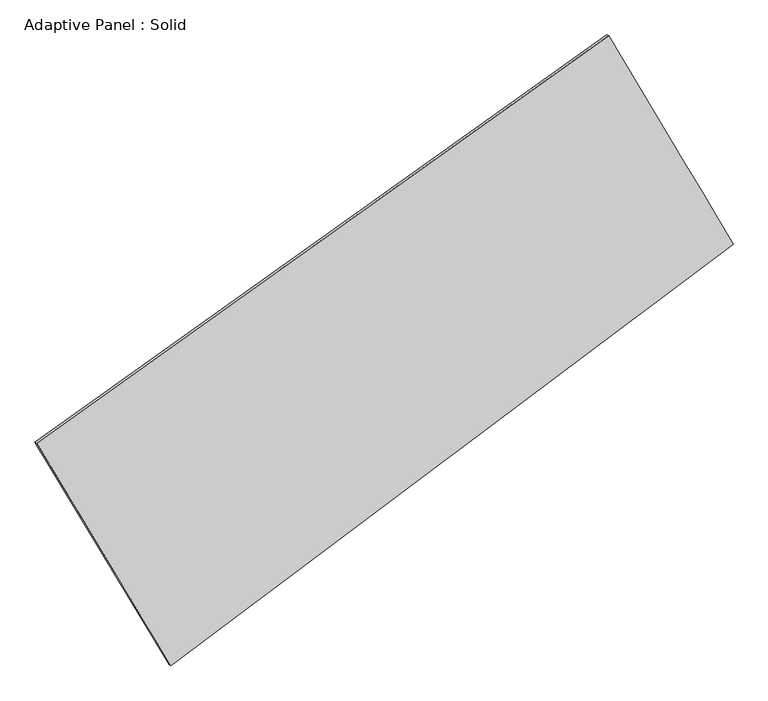
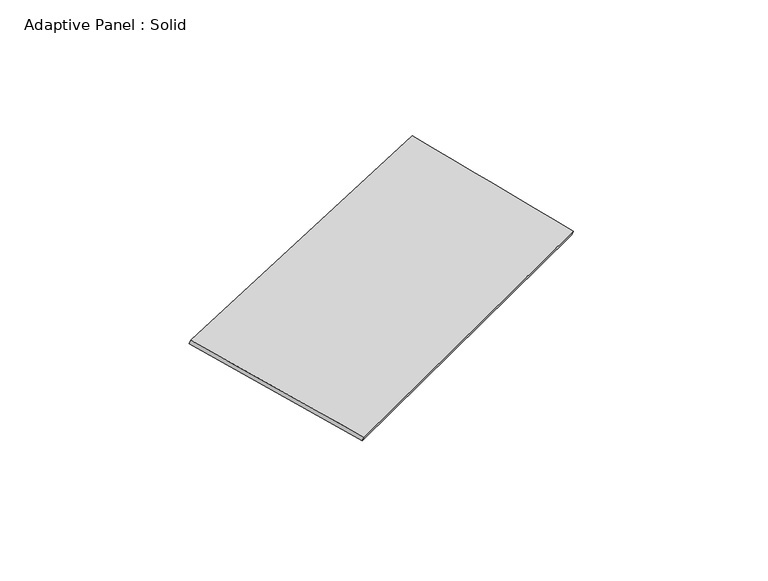
"""IFC4 building model written with IfcOpenShell, lengths in millimetres: plate geometry, Adaptive Panel : Solid."""

from ifc_helpers import new_model, si_unit, frame, origin, place, context, project, spatial, source, transform, mapped, element, save
from ifc_brep_helpers import plane_surface, spline_surface, advanced_brep


def adaptive_panel_solid_d59c7545(model_context):
    return source(origin(), model_context, "Body", "AdvancedBrep", [
        advanced_brep(
        [(1178.9455459, 2473.8321941, 668.8805668), (-3549.3059195, -893.2633393, 1645.3972472), (-3534.6395637, -899.6434327, 1692.7701552), (1193.6119018, 2467.4521007, 716.2534749), (-2439.4699828, -2732.7496467, 1086.8724943), (-2424.803627, -2739.1297402, 1134.2454023), (2206.5397782, 751.932219, 83.972212), (2221.2061341, 745.5521255, 131.34512)],
        [
            (0, 1),
            (1, 2),
            (2, 3),
            (3, 0),
            (1, 4),
            (4, 5),
            (5, 2),
            (4, 6),
            (6, 7),
            (7, 5),
            (6, 0),
            (3, 7),
        ],
        [
            plane_surface(frame((-1185.1801868, 790.2844274, 1157.138907), z_axis=(-0.5208157110426389, 0.8097473582838115, 0.2702965239945549), x_axis=(-0.803278232938588, -0.5720327207611418, 0.1658995083346092))),
            plane_surface(frame((-2994.3879511, -1813.006493, 1366.1348707), z_axis=(-0.8173279088673938, -0.5475660608946464, 0.17929444593398292), x_axis=(0.49997704841853446, -0.8286818836830407, -0.25161336751098506))),
            plane_surface(frame((-116.4651023, -990.4087139, 585.4223531), z_axis=(0.5384958028273023, -0.7968249114679149, -0.2740297991123025), x_axis=(0.78831777910294, 0.5912679504590411, -0.1701684163121142))),
            plane_surface(frame((1692.7426621, 1612.8822066, 376.4263894), z_axis=(0.8168768265104185, 0.5483174818382693, -0.1790535937109529), x_axis=(-0.49195875348900897, 0.8243562865396393, 0.2800237449005293))),
            spline_surface(1, 1, [[(-3534.6395637, -899.6434327, 1692.7701552), (1193.6119018, 2467.4521007, 716.2534749)], [(-2424.803627, -2739.1297402, 1134.2454023), (2221.2061341, 745.5521255, 131.34512)]], [2, 2], [2, 2], [0.0, 1.0], [0.0, 1.0]),
            spline_surface(1, 1, [[(2206.5397782, 751.932219, 83.972212), (1178.9455459, 2473.8321941, 668.8805668)], [(-2439.4699828, -2732.7496467, 1086.8724943), (-3549.3059195, -893.2633393, 1645.3972472)]], [2, 2], [2, 2], [0.0, 1.0], [0.0, 1.0]),
        ],
        [
            (0, [[1, 2, 3, 4]]),
            (1, [[5, 6, 7, -2]]),
            (2, [[8, 9, 10, -6]]),
            (3, [[11, -4, 12, -9]]),
            (4, [[-3, -7, -10, -12]]),
            (5, [[-11, -8, -5, -1]]),
        ],
    ),
    ])


if __name__ == "__main__":
    model = new_model("IFC4")
    model_context = context("Model", 3, world=origin())
    ifc_project = project(units=[si_unit("LENGTHUNIT", "METRE", prefix="MILLI")], contexts=[model_context])
    site = spatial("IfcSite", under=ifc_project)
    building = spatial("IfcBuilding", under=site)
    placement = place(None, origin())
    adaptive_panel_solid_shape = adaptive_panel_solid_d59c7545(model_context)
    element("IfcPlate", 1, ObjectType="Adaptive Panel : Solid", at=placement, inside=building, context=model_context, shape_type="MappedRepresentation", body=[
        mapped(adaptive_panel_solid_shape, transform((0.0, 0.0, 0.0), x_axis=(1.0, 0.0, 0.0), y_axis=(0.0, 1.0, 0.0), z_axis=(0.0, 0.0, 1.0))),
    ])
    save(model, "model.ifc")
